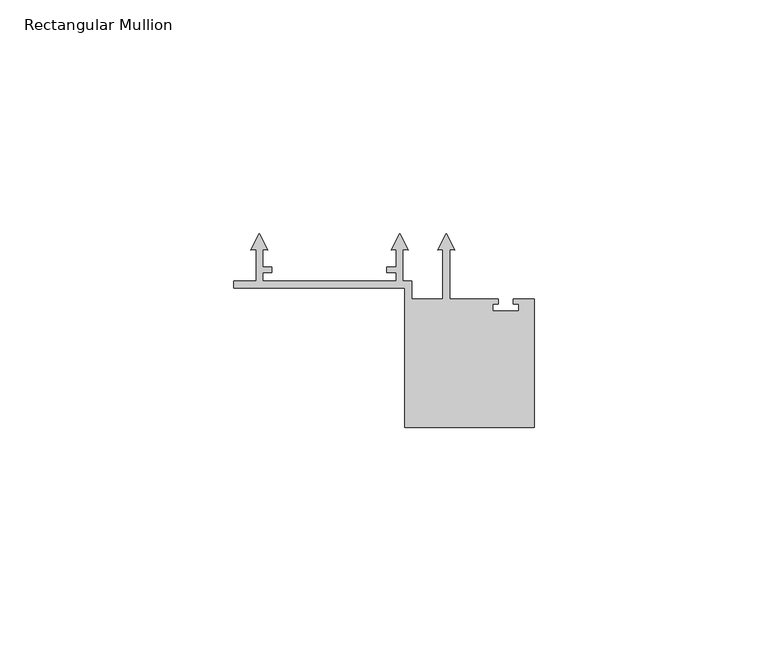
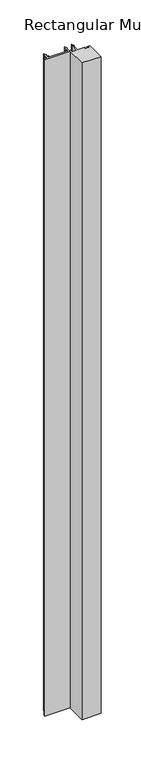
"""IFC4 building model written with IfcOpenShell, lengths in millimetres: member geometry, Rectangular Mullion."""

from ifc_helpers import new_model, si_unit, frame, origin, place, context, project, spatial, polyline, outline, extrude, source, transform, mapped, element, save


def rectangular_mullion_99afdbfe(model_context):
    return source(origin(), model_context, "Body", "SweptSolid", [
        extrude(outline(polyline([(0.0, -36.2000004), (0.0, -34.7000006), (4.7999998, -34.7000006), (4.8000027, -28.0038205), (3.6842638, -28.101435), (5.5000004, -24.5378476), (7.315737, -28.101435), (6.2000002, -28.0038207), (6.2000002, -31.7000004), (8.2000002, -31.7000004), (8.2000002, -32.9000004), (6.2000002, -32.9000004), (6.2000002, -34.7000006), (34.8000002, -34.7000006), (34.8000002, -32.9000004), (32.8000002, -32.9000004), (32.8000002, -31.7000004), (34.8000002, -31.7000004), (34.8000002, -28.0038207), (33.6842635, -28.101435), (35.5000001, -24.5378476), (37.3157367, -28.101435), (36.1999978, -28.0038205), (36.2000007, -34.7000006), (38.1500005, -34.7000006), (38.1500005, -38.6000002), (44.8000015, -38.6000002), (44.8000015, -28.0038207), (43.6842647, -28.101435), (45.5000013, -24.5378476), (47.3157379, -28.101435), (46.2000001, -28.0038206), (46.2000001, -38.6000002), (56.6500005, -38.6000002), (56.6500005, -39.6000002), (55.5000005, -39.6000002), (55.5000005, -41.1000002), (61.0000005, -41.1000002), (61.0000005, -39.6000002), (59.8500005, -39.6000002), (59.8500005, -38.6000002), (64.3500005, -38.6000002), (64.3500005, -66.1000002), (36.6500005, -66.1000002), (36.6500005, -36.2000004), (0.0, -36.2000004)])), frame((0.0, 0.0, -1000.0), z_axis=(0.0, 0.0, 1.0), x_axis=(1.0, 0.0, 0.0)), (0.0, 0.0, 1.0), 1000.0),
    ])


if __name__ == "__main__":
    model = new_model("IFC4")
    model_context = context("Model", 3, world=origin())
    ifc_project = project(units=[si_unit("LENGTHUNIT", "METRE", prefix="MILLI")], contexts=[model_context])
    site = spatial("IfcSite", under=ifc_project)
    building = spatial("IfcBuilding", under=site)
    placement = place(None, origin())
    rectangular_mullion_shape = rectangular_mullion_99afdbfe(model_context)
    element("IfcMember", 1, ObjectType="Rectangular Mullion", at=placement, inside=building, context=model_context, shape_type="MappedRepresentation", body=[
        mapped(rectangular_mullion_shape, transform((0.0, 0.0, 0.0), x_axis=(1.0, 0.0, 0.0), y_axis=(0.0, 1.0, 0.0), z_axis=(0.0, 0.0, 1.0))),
    ])
    save(model, "model.ifc")
